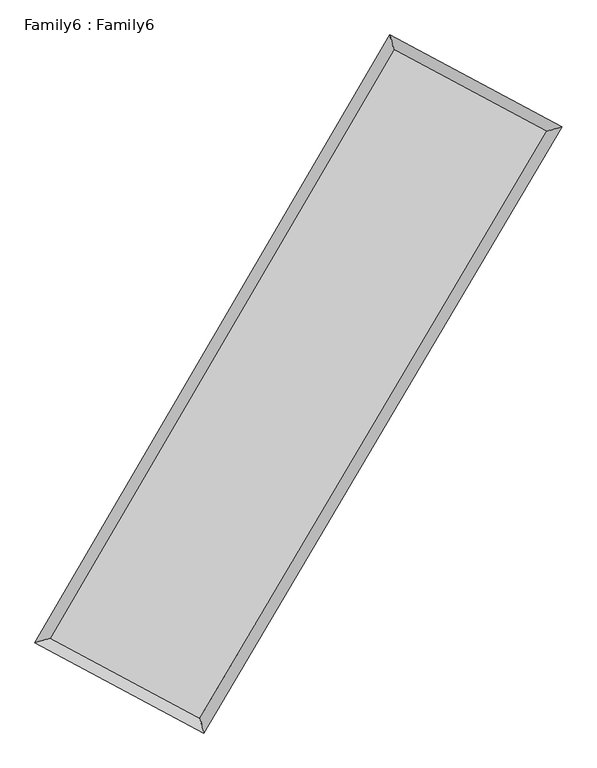
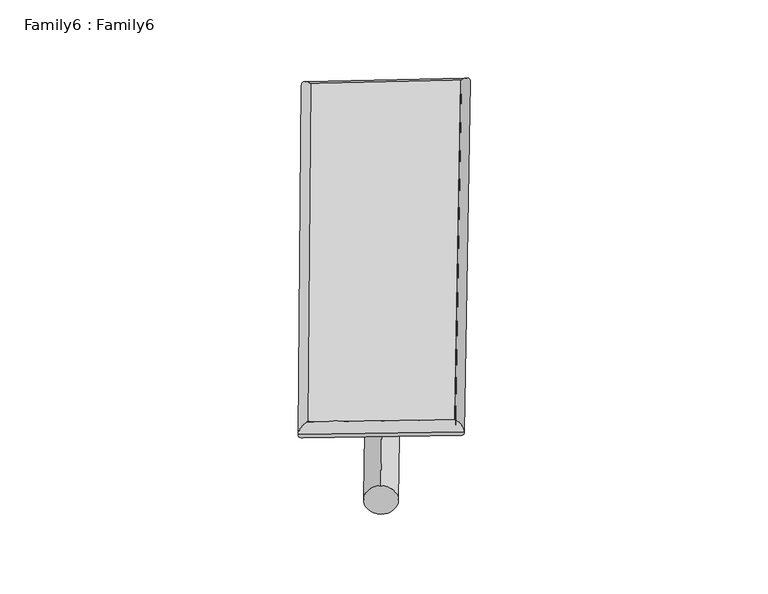
"""IFC4 building model written with IfcOpenShell, lengths in millimetres: plate geometry, Family6 : Family6."""

from ifc_helpers import new_model, si_unit, point, frame, origin, origin_2d, place, context, project, spatial, circle_curve, ellipse_curve, trimmed, segment, composite_curve, outline, extrude, source, transform, mapped, element, save
from ifc_brep_helpers import plane_surface, cylinder_surface, spline_surface, advanced_brep


def family6_family6_5a77a7c5(model_context):
    return source(origin(), model_context, "Body", "SolidModel", [
        extrude(outline(composite_curve([segment(trimmed(circle_curve(origin_2d(), 76.2), [point((-75.4341514, -10.7763073))], [point((75.4341514, 10.7763073))], False, "CARTESIAN"), True, "CONTINUOUS"), segment(trimmed(circle_curve(origin_2d(), 76.2), [point((75.4341514, 10.7763073))], [point((-75.4341514, -10.7763073))], False, "CARTESIAN"), True, "CONTINUOUS")], self_intersect=False)), frame((9144.0, 9144.0, 0.0), z_axis=(0.6763310912382143, 0.6848028296957054, 0.2713325256309699), x_axis=(-0.6768330426880609, 0.7231028269898988, -0.1379106012054111)), (0.0, 0.0, 1.0), 5636.1326888),
        extrude(outline(composite_curve([segment(trimmed(circle_curve(origin_2d(), 76.2), [point((-53.8815367, 53.8815366))], [point((53.8815367, -53.8815366))], False, "CARTESIAN"), True, "CONTINUOUS"), segment(trimmed(circle_curve(origin_2d(), 76.2), [point((53.8815367, -53.8815366))], [point((-53.8815367, 53.8815366))], False, "CARTESIAN"), True, "CONTINUOUS")], self_intersect=False)), frame((9144.0, 9144.0, 0.0), z_axis=(-0.673221754446018, -0.6877251866375709, 0.27167358540157005), x_axis=(0.6408749373174057, -0.35940424159915596, 0.6783125428878246)), (0.0, 0.0, 1.0), 5628.9370458),
        extrude(outline(composite_curve([segment(trimmed(circle_curve(origin_2d(), 76.2), [point((-53.8815367, -53.8815368))], [point((53.8815367, 53.8815368))], False, "CARTESIAN"), True, "CONTINUOUS"), segment(trimmed(circle_curve(origin_2d(), 76.2), [point((53.8815367, 53.8815368))], [point((-53.8815367, -53.8815368))], False, "CARTESIAN"), True, "CONTINUOUS")], self_intersect=False)), frame((9144.0, 9144.0, 0.0), z_axis=(0.2640934828306559, 0.9247685381479626, 0.2739667556074174), x_axis=(-0.8419547446658412, 0.3596080485392703, -0.40223657138611374)), (0.0, 0.0, 1.0), 5533.8354478),
        extrude(outline(composite_curve([segment(trimmed(circle_curve(origin_2d(), 76.2), [point((-75.4341514, 10.7763073))], [point((75.4341514, -10.7763073))], False, "CARTESIAN"), True, "CONTINUOUS"), segment(trimmed(circle_curve(origin_2d(), 76.2), [point((75.4341514, -10.7763073))], [point((-75.4341514, 10.7763073))], False, "CARTESIAN"), True, "CONTINUOUS")], self_intersect=False)), frame((9144.0, 9144.0, 0.0), z_axis=(-0.268265900478333, -0.923508433398724, 0.27416341856999105), x_axis=(0.8803149203752947, -0.11942138516364631, 0.4591123759279797)), (0.0, 0.0, 1.0), 5528.9653129),
        advanced_brep(
        [(5143.1154365, 5213.1505276, 1528.2582966), (5143.1101941, 5213.1424309, 1530.5493131), (5565.8388162, 5332.5259116, 1530.2087219), (10662.9821042, 14057.877474, 1517.4472905), (10547.9176494, 14465.1563607, 1514.7265969), (5565.8440585, 5332.5340082, 1527.9177054), (12743.8362342, 12944.2744585, 1529.1148573), (13167.9473094, 13063.0047692, 1529.4173772), (7603.8642296, 4241.29261, 1516.0821696), (7717.6700536, 3834.6152011, 1515.5978931)],
        [
            (0, 1, ellipse_curve(frame((5354.4771263, 5272.8382196, 1529.2335092), z_axis=(-0.2717782589922397, 0.9623558875055915, 0.0027791585907585748), x_axis=(-0.9623468065867227, -0.2717884923972095, 0.0044316196575463354)), 219.6393063, 152.4)),
            (1, 2, ellipse_curve(frame((5354.4771263, 5272.8382196, 1529.2335092), z_axis=(-0.2717782589922397, 0.9623558875055915, 0.0027791585907585748), x_axis=(-0.9623468065867227, -0.2717884923972095, 0.0044316196575463354)), 219.6393063, 152.4)),
            (2, 3),
            (3, 4, ellipse_curve(frame((10605.4498768, 14261.5169174, 1516.0869437), z_axis=(-0.9623241144166305, -0.27189293569338785, -0.002555451482387227), x_axis=(0.2718801039707848, -0.9623207378397127, 0.004472872507255163)), 211.6151922, 152.4)),
            (4, 0),
            (2, 5, ellipse_curve(frame((5354.4771263, 5272.8382196, 1529.2335092), z_axis=(-0.2717782589922397, 0.9623558875055915, 0.0027791585907585748), x_axis=(-0.9623468065867227, -0.2717884923972095, 0.0044316196575463354)), 219.6393063, 152.4)),
            (5, 0, ellipse_curve(frame((5354.4771263, 5272.8382196, 1529.2335092), z_axis=(-0.2717782589922397, 0.9623558875055915, 0.0027791585907585748), x_axis=(-0.9623468065867227, -0.2717884923972095, 0.0044316196575463354)), 219.6393063, 152.4)),
            (4, 3, ellipse_curve(frame((10605.4498768, 14261.5169174, 1516.0869437), z_axis=(-0.9623241144166305, -0.27189293569338785, -0.002555451482387227), x_axis=(0.2718801039707848, -0.9623207378397127, 0.004472872507255163)), 211.6151922, 152.4)),
            (3, 6),
            (6, 7, ellipse_curve(frame((12955.8917718, 13003.6396138, 1529.2661172), z_axis=(-0.26958346514009707, 0.9629734084327203, -0.0026400709322561156), x_axis=(-0.9629647161273441, -0.26959286850090164, -0.004317493166089204)), 220.2101063, 152.4)),
            (7, 4),
            (7, 6, ellipse_curve(frame((12955.8917718, 13003.6396138, 1529.2661172), z_axis=(-0.26958346514009707, 0.9629734084327203, -0.0026400709322561156), x_axis=(-0.9629647161273441, -0.26959286850090164, -0.004317493166089204)), 220.2101063, 152.4)),
            (6, 8),
            (8, 9, ellipse_curve(frame((7660.7671416, 4037.9539055, 1515.8400314), z_axis=(0.9629990568424004, 0.26949169947730617, -0.0026533815181559455), x_axis=(-0.2694779296966006, 0.962995436364348, 0.00462978918234706)), 211.1519031, 152.4)),
            (9, 7),
            (9, 8, ellipse_curve(frame((7660.7671416, 4037.9539055, 1515.8400314), z_axis=(0.9629990568424004, 0.26949169947730617, -0.0026533815181559455), x_axis=(-0.2694779296966006, 0.962995436364348, 0.00462978918234706)), 211.1519031, 152.4)),
            (8, 5),
            (1, 9),
        ],
        [
            cylinder_surface(frame((5354.4771263, 5272.8382196, 1529.2335092), z_axis=(-0.5044135749960167, -0.8634612617333853, 0.00126287193649072), x_axis=(-0.8634412000176245, 0.5043905796567462, -0.0077095567742979255)), 152.4),
            cylinder_surface(frame((10605.4498768, 14261.5169174, 1516.0869437), z_axis=(-0.881670226803824, 0.47184019733049415, -0.004943617179136502), x_axis=(0.4718600214265515, 0.8816636456585403, -0.004163664663050608)), 152.4),
            cylinder_surface(frame((12955.8917718, 13003.6396138, 1529.2661172), z_axis=(0.5085309484247125, 0.861042746859446, 0.00128940878019122), x_axis=(0.8610436402161437, -0.5085309484247126, -0.00035233165439338366)), 152.4),
            cylinder_surface(frame((7660.7671416, 4037.9539055, 1515.8400314), z_axis=(0.8815683509007971, -0.472028635209332, -0.005119592997947387), x_axis=(-0.47201723110171095, -0.8815830684299972, 0.003320692792930158)), 152.4),
        ],
        [
            (0, [[1, 2, 3, 4, 5]]),
            (0, [[6, 7, -5, 8, -3]]),
            (1, [[-4, 9, 10, 11]]),
            (1, [[-8, -11, 12, -9]]),
            (2, [[-10, 13, 14, 15]]),
            (2, [[-12, -15, 16, -13]]),
            (3, [[-14, 17, -6, -2, 18]]),
            (3, [[-16, -18, -1, -7, -17]]),
        ],
    ),
        extrude(outline(composite_curve([segment(trimmed(circle_curve(origin_2d(), 304.8), [point((0.0, 304.8))], [point((0.0, -304.8))], False, "CARTESIAN"), True, "CONTINUOUS"), segment(trimmed(circle_curve(origin_2d(), 304.8), [point((0.0, -304.8))], [point((0.0, 304.8))], False, "CARTESIAN"), True, "CONTINUOUS")], self_intersect=False)), frame((11800.1416143, 13653.0174264, -0.0012651), z_axis=(-0.507556432180827, -0.8616185166022208, 2.41739994012144e-07), x_axis=(-0.8616185166022521, 0.5075564321808269, -6.590861005194617e-08)), (0.0, 0.0, 1.0), 10466.3893348),
        advanced_brep(
        [(5354.4771263, 5272.8382196, 1529.2335092), (7660.7671416, 4037.9539055, 1515.8400314), (7660.7652765, 4037.9526223, 1668.2400313), (5354.4752612, 5272.8369364, 1681.6335092), (12955.8917718, 13003.6396138, 1529.2661172), (12955.8899067, 13003.6383306, 1681.6661172), (10605.4498768, 14261.5169174, 1516.0869437), (10605.4480117, 14261.5156342, 1668.4869437)],
        [
            (0, 1),
            (1, 2),
            (2, 3),
            (3, 0),
            (1, 4),
            (4, 5),
            (5, 2),
            (4, 6),
            (6, 7),
            (7, 5),
            (6, 0),
            (3, 7),
        ],
        [
            plane_surface(frame((6507.622134, 4655.3960626, 1522.5367703), z_axis=(-0.4720348808561055, -0.8815798722072357, -1.319987209273503e-05), x_axis=(0.8815683509007972, -0.4720286352093317, -0.0051195929979473845))),
            plane_surface(frame((10308.3294567, 8520.7967597, 1522.5530743), z_axis=(0.8610434585156844, -0.508531378095999, 6.255675456264529e-06), x_axis=(0.5085309484247126, 0.861042746859446, 0.0012894087801912223))),
            plane_surface(frame((11780.6708243, 13632.5782656, 1522.6765305), z_axis=(0.47184590560060696, 0.8816810314358278, 1.31984111562157e-05), x_axis=(-0.8816702268038238, 0.47184019733049454, -0.004943617179136501))),
            plane_surface(frame((7979.9635016, 9767.1775685, 1522.6602265), z_axis=(-0.8634619542865022, 0.5044139703257563, -6.319942586213907e-06), x_axis=(-0.504413574996017, -0.8634612617333853, 0.0012628719364907205))),
            spline_surface(1, 1, [[(7660.7652765, 4037.9526223, 1668.2400313), (5354.4752612, 5272.8369364, 1681.6335092)], [(12955.8899067, 13003.6383306, 1681.6661172), (10605.4480117, 14261.5156342, 1668.4869437)]], [2, 2], [2, 2], [0.0, 1.0], [0.0, 1.0]),
            spline_surface(1, 1, [[(10605.4498768, 14261.5169174, 1516.0869437), (5354.4771263, 5272.8382196, 1529.2335092)], [(12955.8917718, 13003.6396138, 1529.2661172), (7660.7671416, 4037.9539055, 1515.8400314)]], [2, 2], [2, 2], [0.0, 1.0], [0.0, 1.0]),
        ],
        [
            (0, [[1, 2, 3, 4]]),
            (1, [[5, 6, 7, -2]]),
            (2, [[8, 9, 10, -6]]),
            (3, [[11, -4, 12, -9]]),
            (4, [[-3, -7, -10, -12]]),
            (5, [[-11, -8, -5, -1]]),
        ],
    ),
    ])


if __name__ == "__main__":
    model = new_model("IFC4")
    model_context = context("Model", 3, world=origin())
    ifc_project = project(units=[si_unit("LENGTHUNIT", "METRE", prefix="MILLI")], contexts=[model_context])
    site = spatial("IfcSite", under=ifc_project)
    building = spatial("IfcBuilding", under=site)
    placement = place(None, origin())
    family6_family6_shape = family6_family6_5a77a7c5(model_context)
    element("IfcPlate", 1, ObjectType="Family6 : Family6", at=placement, inside=building, context=model_context, shape_type="MappedRepresentation", body=[
        mapped(family6_family6_shape, transform((0.0, 0.0, 0.0), x_axis=(1.0, 0.0, 0.0), y_axis=(0.0, 1.0, 0.0), z_axis=(0.0, 0.0, 1.0))),
    ])
    save(model, "model.ifc")
